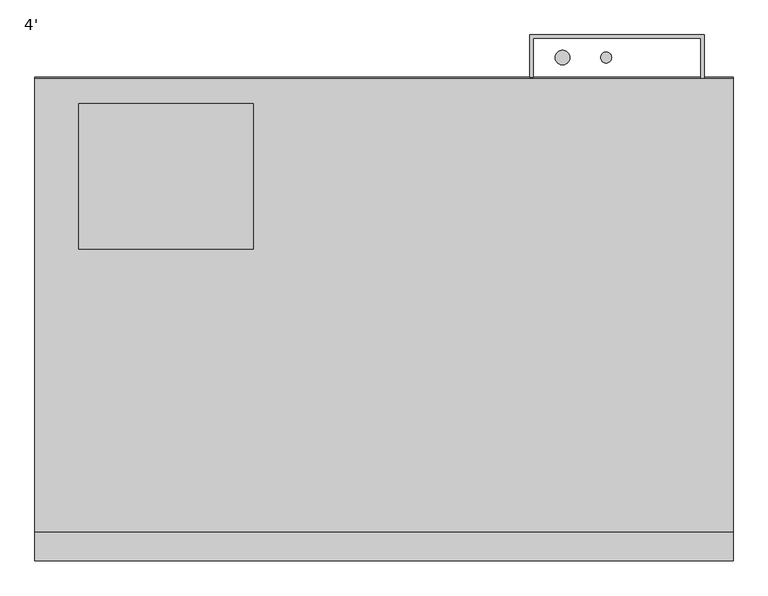
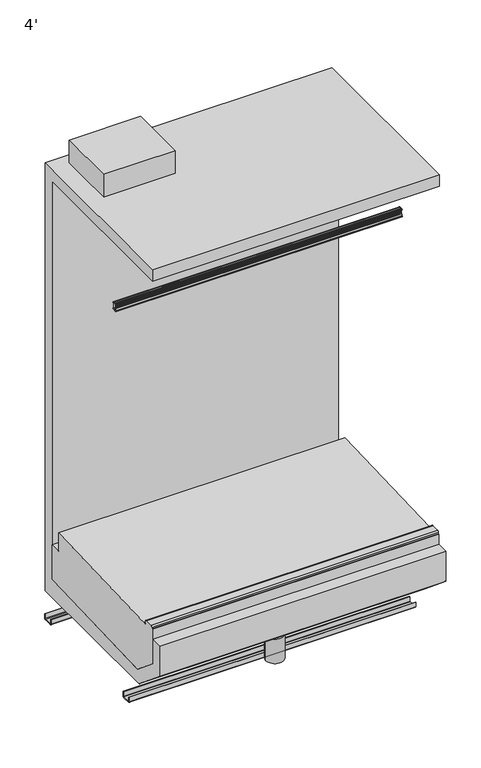
"""IFC4 building model written with IfcOpenShell, lengths in millimetres: proxy geometry, 4'."""

from ifc_helpers import new_model, si_unit, point, frame, frame_2d, origin, origin_with_axes, place, context, project, spatial, polyline, circle_curve, trimmed, segment, composite_curve, outline, extrude, source, transform, mapped, element, save
from ifc_brep_helpers import plane_surface, cylinder_surface, revolved_surface, advanced_brep


def proxy_4_83cbc834(model_context):
    return source(origin(), model_context, "Body", "SolidModel", [
        extrude(outline(polyline([(381.0, -445.9589273), (381.0, -699.9589273), (76.2, -699.9589273), (76.2, -445.9589273), (381.0, -445.9589273)])), frame((0.0, 0.0, 2053.0), z_axis=(0.0, 0.0, 1.0), x_axis=(1.0, 0.0, 0.0)), (0.0, 0.0, 1.0), 101.6),
        extrude(outline(composite_curve([segment(trimmed(circle_curve(frame_2d((124.866634, -515.3253412)), 12.7), [point((112.166634, -515.3253412))], [point((137.566634, -515.3253412))], False, "CARTESIAN"), True, "CONTINUOUS"), segment(trimmed(circle_curve(frame_2d((124.866634, -515.3253412)), 12.7), [point((137.566634, -515.3253412))], [point((112.166634, -515.3253412))], False, "CARTESIAN"), True, "CONTINUOUS")], self_intersect=False)), frame((0.0, 0.0, 68.5310382), z_axis=(0.0, 0.0, 1.0), x_axis=(1.0, 0.0, 0.0)), (0.0, 0.0, 1.0), 6.35),
        extrude(outline(composite_curve([segment(trimmed(circle_curve(frame_2d((162.966634, -515.3253412)), 12.7), [point((150.266634, -515.3253412))], [point((175.666634, -515.3253412))], False, "CARTESIAN"), True, "CONTINUOUS"), segment(trimmed(circle_curve(frame_2d((162.966634, -515.3253412)), 12.7), [point((175.666634, -515.3253412))], [point((150.266634, -515.3253412))], False, "CARTESIAN"), True, "CONTINUOUS")], self_intersect=False)), frame((0.0, 0.0, 68.5310382), z_axis=(0.0, 0.0, 1.0), x_axis=(1.0, 0.0, 0.0)), (0.0, 0.0, 1.0), 6.35),
        advanced_brep(
        [(1219.2, -500.2639658, 449.111638), (1219.2, -1126.5028947, 427.2428927), (1219.2, -1135.3036375, 427.2438499), (1219.2, -1141.6520836, 433.4891442), (1219.2, -1141.6520836, 441.532731), (1219.2, -1148.0014586, 447.882731), (1219.2, -1181.6652736, 447.8860441), (1219.2, -1188.0158985, 441.5367347), (1219.2, -1188.0165653, 435.4058904), (1219.2, -1192.8459273, 435.4064157), (1219.2, -1192.8459273, 281.2500468), (1219.2, -1082.8646206, 188.9647729), (1219.2, -451.7851762, 211.0025527), (1219.2, -451.7851762, 367.1756257), (1219.2, -500.2639658, 367.1756257), (0.0, -500.2639658, 449.111638), (0.0, -500.2639658, 367.1756257), (0.0, -451.7851762, 367.1756257), (0.0, -451.7851762, 211.0025527), (0.0, -1082.8646206, 188.9647729), (0.0, -1192.8459273, 281.2500468), (0.0, -1192.8459273, 435.4064157), (0.0, -1188.0165653, 435.4058904), (0.0, -1188.0158985, 441.5367347), (0.0, -1181.6652736, 447.8860441), (0.0, -1148.0014586, 447.882731), (0.0, -1141.6520836, 441.532731), (0.0, -1141.6520836, 433.4891442), (0.0, -1135.3036375, 427.2438499), (0.0, -1126.5028947, 427.2428927), (1117.6, -451.7851762, 260.35), (1117.6, -451.7851762, 361.95), (1117.6, -471.3589273, 260.35), (1117.6, -471.3589273, 361.95)],
        [
            (0, 1),
            (1, 2),
            (2, 3, circle_curve(frame((1219.2, -1135.3029469, 433.5938498), z_axis=(-1.0, 0.0, 0.0), x_axis=(0.0, 1.0, 0.0)), 6.35)),
            (3, 4),
            (4, 5, circle_curve(frame((1219.2, -1148.0020836, 441.532731), z_axis=(1.0, 0.0, 0.0), x_axis=(0.0, 1.0, 0.0)), 6.35)),
            (5, 6),
            (6, 7, circle_curve(frame((1219.2, -1181.6658985, 441.5360441), z_axis=(1.0, 0.0, 0.0), x_axis=(0.0, 1.0, 0.0)), 6.35)),
            (7, 8),
            (8, 9),
            (9, 10),
            (10, 11),
            (11, 12),
            (12, 13),
            (13, 14),
            (14, 0),
            (15, 16),
            (16, 17),
            (17, 18),
            (18, 19),
            (19, 20),
            (20, 21),
            (21, 22),
            (22, 23),
            (23, 24, circle_curve(frame((0.0, -1181.6658985, 441.5360441), z_axis=(-1.0, 0.0, 0.0), x_axis=(0.0, 1.0, 0.0)), 6.35)),
            (24, 25),
            (25, 26, circle_curve(frame((0.0, -1148.0020836, 441.532731), z_axis=(-1.0, 0.0, 0.0), x_axis=(0.0, 1.0, 0.0)), 6.35)),
            (26, 27),
            (27, 28, circle_curve(frame((0.0, -1135.3029469, 433.5938498), z_axis=(1.0, 0.0, 0.0), x_axis=(0.0, 1.0, 0.0)), 6.35)),
            (28, 29),
            (29, 15),
            (12, 18),
            (17, 13),
            (30, 31, circle_curve(frame((1117.6, -451.7851762, 311.15), z_axis=(0.0, -1.0, 0.0), x_axis=(0.0, 0.0, 1.0)), 50.8)),
            (31, 30, circle_curve(frame((1117.6, -451.7851762, 311.15), z_axis=(0.0, -1.0, 0.0), x_axis=(0.0, 0.0, 1.0)), 50.8)),
            (16, 14),
            (15, 0),
            (9, 21),
            (20, 10),
            (19, 11),
            (29, 1),
            (28, 2),
            (27, 3),
            (4, 26),
            (25, 5),
            (24, 6),
            (23, 7),
            (22, 8),
            (32, 33, circle_curve(frame((1117.6, -471.3589273, 311.15), z_axis=(0.0, 1.0, 0.0), x_axis=(0.0, 0.0, 1.0)), 50.8)),
            (33, 32, circle_curve(frame((1117.6, -471.3589273, 311.15), z_axis=(0.0, 1.0, 0.0), x_axis=(0.0, 0.0, 1.0)), 50.8)),
            (33, 31),
            (30, 32),
        ],
        [
            plane_surface(frame((1219.2, -1126.5028947, 427.2428927), z_axis=(1.0000000000000002, 0.0, 0.0), x_axis=(0.0, -0.9993908270190762, -0.034899496703061944))),
            plane_surface(frame((0.0, -1126.5028947, 427.2428927), z_axis=(-1.0000000000000002, 0.0, 0.0), x_axis=(0.0, 0.9993908270190762, 0.034899496703061944))),
            plane_surface(frame((1219.2, -451.7851762, 211.0025527), z_axis=(0.0, 1.0, 0.0), x_axis=(-1.0, 0.0, 0.0))),
            plane_surface(frame((1219.2, -451.7851762, 367.1756257), z_axis=(0.0, 0.0, 1.0), x_axis=(-1.0, 0.0, 0.0))),
            plane_surface(frame((1219.2, -500.2639658, 367.1756257), z_axis=(0.0, 1.0, 0.0), x_axis=(-1.0, 0.0, 0.0))),
            plane_surface(frame((1219.2, -1192.8459273, 435.4064157), z_axis=(0.0, -1.0, 0.0), x_axis=(-1.0, 0.0, 0.0))),
            plane_surface(frame((1219.2, -1192.8459273, 281.2500468), z_axis=(0.0, -0.6427876096870722, -0.7660444431185309), x_axis=(-1.0, 0.0, 0.0))),
            plane_surface(frame((1219.2, -1082.8646206, 188.9647729), z_axis=(0.0, 0.03489949670246416, -0.999390827019097), x_axis=(-1.0, 0.0, 0.0))),
            plane_surface(frame((1219.2, -500.2639658, 449.111638), z_axis=(0.0, -0.034899496703061944, 0.9993908270190762), x_axis=(-1.0, 0.0, 0.0))),
            plane_surface(frame((1219.2, -1126.5028947, 427.2428927), z_axis=(0.0, 0.00010875852496434941, 0.9999999940857917), x_axis=(-1.0, 0.0, 0.0))),
            revolved_surface(polyline([(0.0, -1128.9529469000001, 433.5938498), (1219.2, -1128.9529469000001, 433.5938498)]), (0.0, -1135.3029469, 433.5938498), (-1.0, 0.0, 0.0)),
            cylinder_surface(frame((0.0, -1148.0020836, 441.532731), z_axis=(1.0, 0.0, 0.0), x_axis=(0.0, 1.0, 0.0)), 6.35),
            plane_surface(frame((1219.2, -1148.0014586, 447.882731), z_axis=(0.0, 9.841684243872936e-05, 0.9999999951570626), x_axis=(-1.0, 0.0, 0.0))),
            cylinder_surface(frame((0.0, -1181.6658985, 441.5360441), z_axis=(1.0, 0.0, 0.0), x_axis=(0.0, 1.0, 0.0)), 6.35),
            plane_surface(frame((1219.2, -1188.0158985, 441.5367347), z_axis=(0.0, -0.9999999940857938, 0.00010875850531839876), x_axis=(-1.0, 0.0, 0.0))),
            plane_surface(frame((1219.2, -1188.0165653, 435.4058904), z_axis=(0.0, 0.00010875840003332278, 0.9999999940858052), x_axis=(-1.0, 0.0, 0.0))),
            plane_surface(frame((1219.2, -1141.6520836, 433.4891442), z_axis=(0.0, 1.0, 0.0), x_axis=(-1.0, 0.0, 0.0))),
            plane_surface(frame((1117.6, -471.3589273, 361.95), z_axis=(0.0, 1.0, 0.0), x_axis=(-1.0, 0.0, 0.0))),
            revolved_surface(polyline([(1117.6, -471.3589273, 361.95), (1117.6, -451.7851762, 361.95)]), (1117.6, -381.990496, 311.15), (0.0, -1.0, 0.0)),
        ],
        [
            (0, [[1, 2, 3, 4, 5, 6, 7, 8, 9, 10, 11, 12, 13, 14, 15]]),
            (1, [[16, 17, 18, 19, 20, 21, 22, 23, 24, 25, 26, 27, 28, 29, 30]]),
            (2, [[-13, 31, -18, 32], [33, 34]]),
            (3, [[-14, -32, -17, 35]]),
            (4, [[-15, -35, -16, 36]]),
            (5, [[-10, 37, -21, 38]]),
            (6, [[-11, -38, -20, 39]]),
            (7, [[-12, -39, -19, -31]]),
            (8, [[-1, -36, -30, 40]]),
            (9, [[-2, -40, -29, 41]]),
            (10, [[-3, -41, -28, 42]]),
            (11, [[-5, 43, -26, 44]]),
            (12, [[-6, -44, -25, 45]]),
            (13, [[-7, -45, -24, 46]]),
            (14, [[-8, -46, -23, 47]]),
            (15, [[-9, -47, -22, -37]]),
            (16, [[-4, -42, -27, -43]]),
            (17, [[48, 49]]),
            (18, [[-49, 50, -33, 51]]),
            (18, [[-48, -51, -34, -50]]),
        ],
    ),
        advanced_brep(
        [(1219.2, -1093.449669, 130.175), (1219.2, -401.5089273, 130.175), (1219.2, -401.5089273, 2053.0), (1219.2, -1193.4788424, 2053.0), (1219.2, -1193.4788424, 2000.9165757), (1219.2, -451.7851762, 2000.9165757), (1219.2, -451.7851762, 211.0025527), (1219.2, -1082.8646206, 188.9647729), (1219.2, -1192.8459273, 281.2500468), (1219.2, -1192.8459273, 391.0306785), (1219.2, -1243.8542655, 391.0306785), (1219.2, -1243.8542655, 256.3794415), (0.0, -1093.449669, 130.175), (0.0, -1243.8542655, 256.3794415), (0.0, -1243.8542655, 391.0306785), (0.0, -1192.8459273, 391.0306785), (0.0, -1192.8459273, 281.2500468), (0.0, -1082.8646206, 188.9647729), (0.0, -451.7851762, 211.0025527), (0.0, -451.7851762, 2000.9165757), (0.0, -1193.4788424, 2000.9165757), (0.0, -1193.4788424, 2053.0), (0.0, -401.5089273, 2053.0), (0.0, -401.5089273, 130.175), (1117.6, -401.5089273, 260.35), (1117.6, -401.5089273, 361.95), (1117.6, -451.7851762, 361.95), (1117.6, -451.7851762, 260.35)],
        [
            (0, 1),
            (1, 2),
            (2, 3),
            (3, 4),
            (4, 5),
            (5, 6),
            (6, 7),
            (7, 8),
            (8, 9),
            (9, 10),
            (10, 11),
            (11, 0),
            (12, 13),
            (13, 14),
            (14, 15),
            (15, 16),
            (16, 17),
            (17, 18),
            (18, 19),
            (19, 20),
            (20, 21),
            (21, 22),
            (22, 23),
            (23, 12),
            (0, 12),
            (23, 1),
            (22, 2),
            (24, 25, circle_curve(frame((1117.6, -401.5089273, 311.15), z_axis=(0.0, -1.0, 0.0), x_axis=(0.0, 0.0, 1.0)), 50.8)),
            (25, 24, circle_curve(frame((1117.6, -401.5089273, 311.15), z_axis=(0.0, -1.0, 0.0), x_axis=(0.0, 0.0, 1.0)), 50.8)),
            (21, 3),
            (20, 4),
            (19, 5),
            (18, 6),
            (26, 27, circle_curve(frame((1117.6, -451.7851762, 311.15), z_axis=(0.0, 1.0, 0.0), x_axis=(0.0, 0.0, 1.0)), 50.8)),
            (27, 26, circle_curve(frame((1117.6, -451.7851762, 311.15), z_axis=(0.0, 1.0, 0.0), x_axis=(0.0, 0.0, 1.0)), 50.8)),
            (17, 7),
            (16, 8),
            (15, 9),
            (14, 10),
            (13, 11),
            (24, 27),
            (26, 25),
        ],
        [
            plane_surface(frame((1219.2, -401.5089273, 130.175), z_axis=(1.0, 0.0, 0.0), x_axis=(0.0, 1.0, 0.0))),
            plane_surface(frame((0.0, -401.5089273, 130.175), z_axis=(-1.0, 0.0, 0.0), x_axis=(0.0, -1.0, 0.0))),
            plane_surface(frame((1219.2, -1093.449669, 130.175), z_axis=(0.0, 0.0, -1.0), x_axis=(-1.0, 0.0, 0.0))),
            plane_surface(frame((1219.2, -401.5089273, 130.175), z_axis=(0.0, 1.0, 0.0), x_axis=(-1.0, 0.0, 0.0))),
            plane_surface(frame((1219.2, -401.5089273, 2053.0), z_axis=(0.0, 0.0, 1.0), x_axis=(-1.0, 0.0, 0.0))),
            plane_surface(frame((1219.2, -1193.4788424, 2053.0), z_axis=(0.0, -1.0, 0.0), x_axis=(-1.0, 0.0, 0.0))),
            plane_surface(frame((1219.2, -1193.4788424, 2000.9165757), z_axis=(0.0, 0.0, -1.0), x_axis=(-1.0, 0.0, 0.0))),
            plane_surface(frame((1219.2, -451.7851762, 2000.9165757), z_axis=(0.0, -1.0, 0.0), x_axis=(-1.0, 0.0, 0.0))),
            plane_surface(frame((1219.2, -451.7851762, 211.0025527), z_axis=(0.0, -0.03489949670246416, 0.999390827019097), x_axis=(-1.0, 0.0, 0.0))),
            plane_surface(frame((1219.2, -1082.8646206, 188.9647729), z_axis=(0.0, 0.6427876096870722, 0.7660444431185309), x_axis=(-1.0, 0.0, 0.0))),
            plane_surface(frame((1219.2, -1192.8459273, 281.2500468), z_axis=(0.0, 1.0, 0.0), x_axis=(-1.0, 0.0, 0.0))),
            plane_surface(frame((1219.2, -1192.8459273, 391.0306785), z_axis=(0.0, 0.0, 1.0), x_axis=(-1.0, 0.0, 0.0))),
            plane_surface(frame((1219.2, -1243.8542655, 391.0306785), z_axis=(0.0, -1.0, 0.0), x_axis=(-1.0, 0.0, 0.0))),
            plane_surface(frame((1219.2, -1243.8542655, 256.3794415), z_axis=(0.0, -0.6427876096870824, -0.7660444431185224), x_axis=(-1.0, 0.0, 0.0))),
            revolved_surface(polyline([(1117.6, -451.7851762, 361.95), (1117.6, -401.5089273, 361.95)]), (1117.6, -381.990496, 311.15), (0.0, -1.0, 0.0)),
        ],
        [
            (0, [[1, 2, 3, 4, 5, 6, 7, 8, 9, 10, 11, 12]]),
            (1, [[13, 14, 15, 16, 17, 18, 19, 20, 21, 22, 23, 24]]),
            (2, [[-1, 25, -24, 26]]),
            (3, [[-2, -26, -23, 27], [28, 29]]),
            (4, [[-3, -27, -22, 30]]),
            (5, [[-4, -30, -21, 31]]),
            (6, [[-5, -31, -20, 32]]),
            (7, [[-6, -32, -19, 33], [34, 35]]),
            (8, [[-7, -33, -18, 36]]),
            (9, [[-8, -36, -17, 37]]),
            (10, [[-9, -37, -16, 38]]),
            (11, [[-10, -38, -15, 39]]),
            (12, [[-11, -39, -14, 40]]),
            (13, [[-12, -40, -13, -25]]),
            (14, [[41, -34, 42, -28]]),
            (14, [[-41, -29, -42, -35]]),
        ],
    ),
        extrude(outline(composite_curve([segment(polyline([(-401.5089273, 24.892), (-398.7403273, 24.892), (-398.7403273, 5.1562)]), True, "CONTINUOUS"), segment(trimmed(circle_curve(frame_2d((-403.8965273, 5.1562)), 5.1562), [point((-398.7403273, 5.1562))], [point((-399.435967, 2.5697351))], False, "CARTESIAN"), True, "CONTINUOUS"), segment(trimmed(circle_curve(frame_2d((-403.8965273, 5.1562)), 5.1562), [point((-399.435967, 2.5697351))], [point((-403.8965273, 0.0))], False, "CARTESIAN"), True, "CONTINUOUS"), segment(polyline([(-403.8965273, 0.0), (-438.8088273, 0.0)]), True, "CONTINUOUS"), segment(trimmed(circle_curve(frame_2d((-438.8088273, 5.1562)), 5.1562), [point((-438.8088273, 0.0))], [point((-443.9650273, 5.1562))], False, "CARTESIAN"), True, "CONTINUOUS"), segment(polyline([(-443.9650273, 5.1562), (-443.9650273, 24.9047), (-441.1964273, 24.9047), (-441.1964273, 5.1562)]), True, "CONTINUOUS"), segment(trimmed(circle_curve(frame_2d((-438.8088273, 5.1562)), 2.3876), [point((-441.1964273, 5.1562))], [point((-438.8088273, 2.7686))], True, "CARTESIAN"), True, "CONTINUOUS"), segment(polyline([(-438.8088273, 2.7686), (-403.8965273, 2.7686)]), True, "CONTINUOUS"), segment(trimmed(circle_curve(frame_2d((-403.8965273, 5.1562)), 2.3876), [point((-403.8965273, 2.7686))], [point((-401.5089273, 5.1562))], True, "CARTESIAN"), True, "CONTINUOUS"), segment(polyline([(-401.5089273, 5.1562), (-401.5089273, 24.892)]), True, "CONTINUOUS")], self_intersect=False)), frame((0.0, 0.0, 0.0), z_axis=(1.0, 0.0, 0.0), x_axis=(0.0, 1.0, 0.0)), (0.0, 0.0, 1.0), 1219.2),
        extrude(outline(composite_curve([segment(trimmed(circle_curve(frame_2d((609.6, -1036.5089273)), 38.1), [point((571.5, -1036.5089273))], [point((647.7, -1036.5089273))], False, "CARTESIAN"), True, "CONTINUOUS"), segment(trimmed(circle_curve(frame_2d((609.6, -1036.5089273)), 38.1), [point((647.7, -1036.5089273))], [point((571.5, -1036.5089273))], False, "CARTESIAN"), True, "CONTINUOUS")], self_intersect=False)), origin_with_axes(), (0.0, 0.0, 1.0), 109.7534),
        extrude(outline(composite_curve([segment(trimmed(circle_curve(frame_2d((311.15, 1140.4101353)), 12.7), [point((298.45, 1140.4101353))], [point((323.85, 1140.4101353))], False, "CARTESIAN"), True, "CONTINUOUS"), segment(trimmed(circle_curve(frame_2d((311.15, 1140.4101353)), 12.7), [point((323.85, 1140.4101353))], [point((298.45, 1140.4101353))], False, "CARTESIAN"), True, "CONTINUOUS")], self_intersect=False)), frame((0.0, -471.3589273, 0.0), z_axis=(0.0, 1.0, 0.0), x_axis=(0.0, 0.0, 1.0)), (0.0, 0.0, 1.0), 69.85),
        extrude(outline(composite_curve([segment(trimmed(circle_curve(frame_2d((311.15, 1094.7898647)), 9.525), [point((301.625, 1094.7898647))], [point((320.675, 1094.7898647))], False, "CARTESIAN"), True, "CONTINUOUS"), segment(trimmed(circle_curve(frame_2d((311.15, 1094.7898647)), 9.525), [point((320.675, 1094.7898647))], [point((301.625, 1094.7898647))], False, "CARTESIAN"), True, "CONTINUOUS")], self_intersect=False)), frame((0.0, -471.3589273, 0.0), z_axis=(0.0, 1.0, 0.0), x_axis=(0.0, 0.0, 1.0)), (0.0, 0.0, 1.0), 69.85),
        extrude(outline(polyline([(1162.618325, -330.9058645), (870.518325, -330.9058645), (870.518325, -398.7403273), (864.168325, -398.7403273), (864.168325, -325.3089273), (1168.968325, -325.3089273), (1168.968325, -401.5089273), (1162.618325, -401.5089273), (1162.618325, -330.9058645)])), frame((0.0, 0.0, 206.3320589), z_axis=(0.0, 0.0, 1.0), x_axis=(1.0, 0.0, 0.0)), (0.0, 0.0, 1.0), 1452.7159789),
        extrude(outline(composite_curve([segment(trimmed(circle_curve(frame_2d((921.318325, -364.899036)), 12.7), [point((908.618325, -364.899036))], [point((934.018325, -364.899036))], False, "CARTESIAN"), True, "CONTINUOUS"), segment(trimmed(circle_curve(frame_2d((921.318325, -364.899036)), 12.7), [point((934.018325, -364.899036))], [point((908.618325, -364.899036))], False, "CARTESIAN"), True, "CONTINUOUS")], self_intersect=False)), frame((0.0, 0.0, 1562.7753116), z_axis=(0.0, 0.0, 1.0), x_axis=(1.0, 0.0, 0.0)), (0.0, 0.0, 1.0), 159.9413001),
        extrude(outline(composite_curve([segment(trimmed(circle_curve(frame_2d((997.518325, -364.899036)), 9.525), [point((987.993325, -364.899036))], [point((1007.043325, -364.899036))], False, "CARTESIAN"), True, "CONTINUOUS"), segment(trimmed(circle_curve(frame_2d((997.518325, -364.899036)), 9.525), [point((1007.043325, -364.899036))], [point((987.993325, -364.899036))], False, "CARTESIAN"), True, "CONTINUOUS")], self_intersect=False)), frame((0.0, 0.0, 1562.7753116), z_axis=(0.0, 0.0, 1.0), x_axis=(1.0, 0.0, 0.0)), (0.0, 0.0, 1.0), 159.9413001),
        extrude(outline(composite_curve([segment(polyline([(-977.7506561, 24.892), (-974.9820561, 24.892), (-974.9820561, 5.1562)]), True, "CONTINUOUS"), segment(trimmed(circle_curve(frame_2d((-980.1382561, 5.1562)), 5.1562), [point((-974.9820561, 5.1562))], [point((-975.6776958, 2.5697351))], False, "CARTESIAN"), True, "CONTINUOUS"), segment(trimmed(circle_curve(frame_2d((-980.1382561, 5.1562)), 5.1562), [point((-975.6776958, 2.5697351))], [point((-980.1382561, 0.0))], False, "CARTESIAN"), True, "CONTINUOUS"), segment(polyline([(-980.1382561, 0.0), (-1015.0505561, 0.0)]), True, "CONTINUOUS"), segment(trimmed(circle_curve(frame_2d((-1015.0505561, 5.1562)), 5.1562), [point((-1015.0505561, 0.0))], [point((-1020.2067561, 5.1562))], False, "CARTESIAN"), True, "CONTINUOUS"), segment(polyline([(-1020.2067561, 5.1562), (-1020.2067561, 24.9047), (-1017.4381561, 24.9047), (-1017.4381561, 5.1562)]), True, "CONTINUOUS"), segment(trimmed(circle_curve(frame_2d((-1015.0505561, 5.1562)), 2.3876), [point((-1017.4381561, 5.1562))], [point((-1015.0505561, 2.7686))], True, "CARTESIAN"), True, "CONTINUOUS"), segment(polyline([(-1015.0505561, 2.7686), (-980.1382561, 2.7686)]), True, "CONTINUOUS"), segment(trimmed(circle_curve(frame_2d((-980.1382561, 5.1562)), 2.3876), [point((-980.1382561, 2.7686))], [point((-977.7506561, 5.1562))], True, "CARTESIAN"), True, "CONTINUOUS"), segment(polyline([(-977.7506561, 5.1562), (-977.7506561, 24.892)]), True, "CONTINUOUS")], self_intersect=False)), frame((0.0, 0.0, 0.0), z_axis=(1.0, 0.0, 0.0), x_axis=(0.0, 1.0, 0.0)), (0.0, 0.0, 1.0), 1219.2),
        advanced_brep(
        [(1219.2, -902.6931295, 1727.3075286), (1219.2, -901.7243099, 1727.6885286), (1219.2, -902.8390735, 1730.5231871), (1219.2, -905.9012623, 1732.6167077), (1219.2, -908.3652606, 1732.6247138), (1219.2, -908.3652606, 1704.0828354), (1219.2, -910.4874517, 1701.5774341), (1219.2, -914.7493725, 1700.8731899), (1219.2, -917.4469208, 1704.4916046), (1219.2, -914.3596606, 1717.0478082), (1219.2, -914.3596606, 1732.6247138), (1219.2, -919.5201751, 1732.6247138), (1219.2, -920.545241, 1732.1045613), (1219.2, -921.6281952, 1729.8544831), (1219.2, -920.6442857, 1729.6607751), (1219.2, -920.0507066, 1731.2579447), (1219.2, -919.2029406, 1731.4273519), (1219.2, -917.1624717, 1728.3298316), (1219.2, -916.2734717, 1728.3298316), (1219.2, -916.2734717, 1723.5154593), (1219.2, -915.4867719, 1723.3208329), (1219.2, -916.2860613, 1720.0900228), (1219.2, -916.3394429, 1717.0318787), (1219.2, -916.382618, 1715.9093735), (1219.2, -916.5259319, 1714.2657553), (1219.2, -916.9841164, 1711.5098777), (1219.2, -917.3803385, 1709.9083074), (1219.2, -921.1921567, 1701.6305848), (1219.2, -922.0946495, 1701.7496918), (1219.2, -922.5752577, 1703.1954368), (1219.2, -923.5448561, 1702.9314817), (1219.2, -923.1493051, 1701.7804452), (1219.2, -917.5263496, 1698.0213504), (1219.2, -904.9718522, 1700.0874013), (1219.2, -902.4051937, 1702.2161722), (1219.2, -901.4299592, 1704.8954615), (1219.2, -902.4324233, 1705.2603286), (1219.2, -903.2891388, 1703.4720652), (1219.2, -906.910186, 1704.3817952), (1219.2, -907.0320908, 1728.1919806), (1219.2, -903.357335, 1728.9956276), (0.0, -902.6931295, 1727.3075286), (0.0, -903.357335, 1728.9956276), (0.0, -907.0320908, 1728.1919806), (0.0, -906.910186, 1704.3817952), (0.0, -903.2891388, 1703.4720652), (0.0, -902.4324233, 1705.2603286), (0.0, -901.4299592, 1704.8954615), (0.0, -902.4051937, 1702.2161722), (0.0, -904.9718522, 1700.0874013), (0.0, -917.5263496, 1698.0213504), (0.0, -923.149286, 1701.7804537), (0.0, -923.5448561, 1702.9314817), (0.0, -922.5752577, 1703.1954368), (0.0, -922.0946495, 1701.7496918), (0.0, -921.1921848, 1701.6306037), (0.0, -917.3803385, 1709.9083074), (0.0, -916.9841164, 1711.5098777), (0.0, -916.5259319, 1714.2657553), (0.0, -916.382618, 1715.9093735), (0.0, -916.3394429, 1717.0318787), (0.0, -916.2860613, 1720.0900228), (0.0, -915.4867719, 1723.3208329), (0.0, -916.2734717, 1723.5154593), (0.0, -916.2734717, 1728.3298316), (0.0, -917.1624717, 1728.3298316), (0.0, -919.2029343, 1731.4273578), (0.0, -920.0507066, 1731.2579447), (0.0, -920.6442857, 1729.6607751), (0.0, -921.6281903, 1729.8544818), (0.0, -920.5452539, 1732.1045707), (0.0, -919.5201751, 1732.6247012), (0.0, -914.3596606, 1732.6247138), (0.0, -914.3596606, 1717.0478082), (0.0, -917.4469208, 1704.4916046), (0.0, -914.7493725, 1700.8731899), (0.0, -910.4874517, 1701.5774341), (0.0, -908.3652606, 1704.0828354), (0.0, -908.3652606, 1732.6247138), (0.0, -905.9012623, 1732.6167077), (0.0, -902.8390735, 1730.5231871), (0.0, -901.7243099, 1727.6885286)],
        [
            (0, 1),
            (1, 2),
            (2, 3, circle_curve(frame((1219.2, -905.9119913, 1729.3147251), z_axis=(1.0, 0.0, 0.0), x_axis=(0.0, 1.0, 0.0)), 3.302)),
            (3, 4),
            (4, 5),
            (5, 6, circle_curve(frame((1219.2, -910.9052606, 1704.0828354), z_axis=(-1.0, 0.0, 0.0), x_axis=(0.0, 1.0, 0.0)), 2.54)),
            (6, 7),
            (7, 8, circle_curve(frame((1219.2, -915.163469, 1703.3792046), z_axis=(-1.0, 0.0, 0.0), x_axis=(0.0, 1.0, 0.0)), 2.5399972)),
            (8, 9, circle_curve(frame((1219.2, -945.8394817, 1718.130276), z_axis=(1.0, 0.0, 0.0), x_axis=(0.0, 1.0, 0.0)), 31.4984265)),
            (9, 10),
            (10, 11),
            (11, 12, circle_curve(frame((1219.2, -919.5202548, 1731.3547138), z_axis=(1.0, 0.0, 0.0), x_axis=(0.0, 1.0, 0.0)), 1.2699874)),
            (12, 13, circle_curve(frame((1219.2, -915.0105356, 1728.0551268), z_axis=(1.0, 0.0, 0.0), x_axis=(0.0, 1.0, 0.0)), 6.8579226)),
            (13, 14, circle_curve(frame((1219.2, -921.143137, 1729.722586), z_axis=(1.0, 0.0, 0.0), x_axis=(0.0, 1.0, 0.0)), 0.5026661)),
            (14, 15),
            (15, 16, circle_curve(frame((1219.2, -919.5745346, 1731.080978), z_axis=(-1.0, 0.0, 0.0), x_axis=(0.0, 1.0, 0.0)), 0.5079931)),
            (16, 17, circle_curve(frame((1219.2, -927.3217632, 1723.8583356), z_axis=(-1.0, 0.0, 0.0), x_axis=(0.0, 1.0, 0.0)), 11.0997964)),
            (17, 18),
            (18, 19),
            (19, 20),
            (20, 21),
            (21, 22),
            (22, 23, circle_curve(frame((1219.2, -944.909409, 1717.568686), z_axis=(-1.0, 0.0, 0.0), x_axis=(0.0, 1.0, 0.0)), 28.5750087)),
            (23, 24, circle_curve(frame((1219.2, -916.847274, 1715.1218316), z_axis=(-1.0, 0.0, 0.0), x_axis=(0.0, 1.0, 0.0)), 0.9144)),
            (24, 25, circle_curve(frame((1219.2, -944.909409, 1717.568686), z_axis=(-1.0, 0.0, 0.0), x_axis=(0.0, 1.0, 0.0)), 28.5750087)),
            (25, 26, circle_curve(frame((1219.2, -917.5651726, 1710.8038316), z_axis=(-1.0, 0.0, 0.0), x_axis=(0.0, 1.0, 0.0)), 0.9144)),
            (26, 27, circle_curve(frame((1219.2, -944.909409, 1717.568686), z_axis=(-1.0, 0.0, 0.0), x_axis=(0.0, 1.0, 0.0)), 28.5750087)),
            (27, 28, circle_curve(frame((1219.2, -921.6139006, 1701.9138278), z_axis=(-1.0, 0.0, 0.0), x_axis=(0.0, 1.0, 0.0)), 0.5079962)),
            (28, 29),
            (29, 30, circle_curve(frame((1219.2, -923.0561634, 1703.049157), z_axis=(1.0, 0.0, 0.0), x_axis=(0.0, 1.0, 0.0)), 0.502661)),
            (30, 31, circle_curve(frame((1219.2, -916.8870114, 1704.575951), z_axis=(1.0, 0.0, 0.0), x_axis=(0.0, 1.0, 0.0)), 6.857928)),
            (31, 32, circle_curve(frame((1219.2, -917.3508154, 1704.3689156), z_axis=(1.0, 0.0, 0.0), x_axis=(0.0, 1.0, 0.0)), 6.3499919)),
            (32, 33),
            (33, 34, circle_curve(frame((1219.2, -905.508039, 1703.3455768), z_axis=(1.0, 0.0, 0.0), x_axis=(0.0, 1.0, 0.0)), 3.302)),
            (34, 35),
            (35, 36),
            (36, 37),
            (37, 38, circle_curve(frame((1219.2, -905.0071585, 1704.2951286), z_axis=(-1.0, 0.0, 0.0), x_axis=(0.0, 1.0, 0.0)), 1.905)),
            (38, 39, circle_curve(frame((1219.2, -1141.9102596, 1715.0840326), z_axis=(1.0, 0.0, 0.0), x_axis=(0.0, 1.0, 0.0)), 235.2436449)),
            (39, 40, circle_curve(frame((1219.2, -905.1300505, 1728.2981286), z_axis=(-1.0, 0.0, 0.0), x_axis=(0.0, 1.0, 0.0)), 1.905)),
            (40, 0),
            (41, 42),
            (42, 43, circle_curve(frame((0.0, -905.1300505, 1728.2981286), z_axis=(1.0, 0.0, 0.0), x_axis=(0.0, 1.0, 0.0)), 1.905)),
            (43, 44, circle_curve(frame((0.0, -1141.9102596, 1715.0840326), z_axis=(-1.0, 0.0, 0.0), x_axis=(0.0, 1.0, 0.0)), 235.2436449)),
            (44, 45, circle_curve(frame((0.0, -905.0071585, 1704.2951286), z_axis=(1.0, 0.0, 0.0), x_axis=(0.0, 1.0, 0.0)), 1.905)),
            (45, 46),
            (46, 47),
            (47, 48),
            (48, 49, circle_curve(frame((0.0, -905.508039, 1703.3455768), z_axis=(-1.0, 0.0, 0.0), x_axis=(0.0, 1.0, 0.0)), 3.302)),
            (49, 50),
            (50, 51, circle_curve(frame((0.0, -917.3508154, 1704.3689156), z_axis=(-1.0, 0.0, 0.0), x_axis=(0.0, 1.0, 0.0)), 6.3499919)),
            (51, 52, circle_curve(frame((0.0, -916.8870114, 1704.575951), z_axis=(-1.0, 0.0, 0.0), x_axis=(0.0, 1.0, 0.0)), 6.857928)),
            (52, 53, circle_curve(frame((0.0, -923.0561634, 1703.049157), z_axis=(-1.0, 0.0, 0.0), x_axis=(0.0, 1.0, 0.0)), 0.502661)),
            (53, 54),
            (54, 55, circle_curve(frame((0.0, -921.6139006, 1701.9138278), z_axis=(1.0, 0.0, 0.0), x_axis=(0.0, 1.0, 0.0)), 0.5079962)),
            (55, 56, circle_curve(frame((0.0, -944.909409, 1717.568686), z_axis=(1.0, 0.0, 0.0), x_axis=(0.0, 1.0, 0.0)), 28.5750087)),
            (56, 57, circle_curve(frame((0.0, -917.5651726, 1710.8038316), z_axis=(1.0, 0.0, 0.0), x_axis=(0.0, 1.0, 0.0)), 0.9144)),
            (57, 58, circle_curve(frame((0.0, -944.909409, 1717.568686), z_axis=(1.0, 0.0, 0.0), x_axis=(0.0, 1.0, 0.0)), 28.5750087)),
            (58, 59, circle_curve(frame((0.0, -916.847274, 1715.1218316), z_axis=(1.0, 0.0, 0.0), x_axis=(0.0, 1.0, 0.0)), 0.9144)),
            (59, 60, circle_curve(frame((0.0, -944.909409, 1717.568686), z_axis=(1.0, 0.0, 0.0), x_axis=(0.0, 1.0, 0.0)), 28.5750087)),
            (60, 61),
            (61, 62),
            (62, 63),
            (63, 64),
            (64, 65),
            (65, 66, circle_curve(frame((0.0, -927.3217632, 1723.8583356), z_axis=(1.0, 0.0, 0.0), x_axis=(0.0, 1.0, 0.0)), 11.0997964)),
            (66, 67, circle_curve(frame((0.0, -919.5745346, 1731.080978), z_axis=(1.0, 0.0, 0.0), x_axis=(0.0, 1.0, 0.0)), 0.5079931)),
            (67, 68),
            (68, 69, circle_curve(frame((0.0, -921.143137, 1729.722586), z_axis=(-1.0, 0.0, 0.0), x_axis=(0.0, 1.0, 0.0)), 0.5026661)),
            (69, 70, circle_curve(frame((0.0, -915.0105356, 1728.0551268), z_axis=(-1.0, 0.0, 0.0), x_axis=(0.0, 1.0, 0.0)), 6.8579226)),
            (70, 71, circle_curve(frame((0.0, -919.5202548, 1731.3547138), z_axis=(-1.0, 0.0, 0.0), x_axis=(0.0, 1.0, 0.0)), 1.2699874)),
            (71, 72),
            (72, 73),
            (73, 74, circle_curve(frame((0.0, -945.8394817, 1718.130276), z_axis=(-1.0, 0.0, 0.0), x_axis=(0.0, 1.0, 0.0)), 31.4984265)),
            (74, 75, circle_curve(frame((0.0, -915.163469, 1703.3792046), z_axis=(1.0, 0.0, 0.0), x_axis=(0.0, 1.0, 0.0)), 2.5399972)),
            (75, 76),
            (76, 77, circle_curve(frame((0.0, -910.9052606, 1704.0828354), z_axis=(1.0, 0.0, 0.0), x_axis=(0.0, 1.0, 0.0)), 2.54)),
            (77, 78),
            (78, 79),
            (79, 80, circle_curve(frame((0.0, -905.9119913, 1729.3147251), z_axis=(-1.0, 0.0, 0.0), x_axis=(0.0, 1.0, 0.0)), 3.302)),
            (80, 81),
            (81, 41),
            (0, 41),
            (81, 1),
            (80, 2),
            (79, 3),
            (78, 4),
            (77, 5),
            (76, 6),
            (75, 7),
            (74, 8),
            (73, 9),
            (72, 10),
            (71, 11),
            (70, 12),
            (69, 13),
            (68, 14),
            (67, 15),
            (66, 16),
            (65, 17),
            (64, 18),
            (63, 19),
            (62, 20),
            (61, 21),
            (60, 22),
            (59, 23),
            (58, 24),
            (57, 25),
            (56, 26),
            (55, 27),
            (54, 28),
            (53, 29),
            (52, 30),
            (51, 31),
            (50, 32),
            (49, 33),
            (48, 34),
            (47, 35),
            (46, 36),
            (45, 37),
            (44, 38),
            (43, 39),
            (42, 40),
        ],
        [
            plane_surface(frame((1219.2, -901.7243099, 1727.6885286), z_axis=(1.0, 0.0, 0.0), x_axis=(0.0, 0.9306231900674675, 0.36597879461609556))),
            plane_surface(frame((0.0, -901.7243099, 1727.6885286), z_axis=(-1.0, 0.0, 0.0), x_axis=(0.0, -0.9306231900674675, -0.36597879461609556))),
            plane_surface(frame((1219.2, -902.6931295, 1727.3075286), z_axis=(0.0, 0.36597879461609556, -0.9306231900674675), x_axis=(-1.0, 0.0, 0.0))),
            plane_surface(frame((1219.2, -901.7243099, 1727.6885286), z_axis=(0.0, 0.9306231900759734, 0.3659787945944668), x_axis=(-1.0, 0.0, 0.0))),
            cylinder_surface(frame((0.0, -905.9119913, 1729.3147251), z_axis=(1.0, 0.0, 0.0), x_axis=(0.0, 1.0, 0.0)), 3.302),
            plane_surface(frame((1219.2, -905.9012623, 1732.6167077), z_axis=(0.0, 0.0032492421037266625, 0.9999947211989428), x_axis=(-1.0, 0.0, 0.0))),
            plane_surface(frame((1219.2, -908.3652606, 1732.6247138), z_axis=(0.0, -1.0, 0.0), x_axis=(-1.0, 0.0, 0.0))),
            revolved_surface(polyline([(0.0, -908.3652606, 1704.0828354), (1219.2, -908.3652606, 1704.0828354)]), (0.0, -910.9052606, 1704.0828354), (-1.0, 0.0, 0.0)),
            plane_surface(frame((1219.2, -910.4874517, 1701.5774341), z_axis=(0.0, -0.16303029417402248, 0.9866210636214553), x_axis=(-1.0, 0.0, 0.0))),
            revolved_surface(polyline([(0.0, -912.6234718, 1703.3792046), (1219.2, -912.6234718, 1703.3792046)]), (0.0, -915.163469, 1703.3792046), (-1.0, 0.0, 0.0)),
            cylinder_surface(frame((0.0, -945.8394817, 1718.130276), z_axis=(1.0, 0.0, 0.0), x_axis=(0.0, 1.0, 0.0)), 31.4984265),
            plane_surface(frame((1219.2, -914.3596606, 1717.0478082), z_axis=(0.0, 1.0, 0.0), x_axis=(-1.0, 0.0, 0.0))),
            plane_surface(frame((1219.2, -914.3596606, 1732.6247138), z_axis=(0.0, -1.119160319973389e-12, 1.0), x_axis=(-1.0, 0.0, 0.0))),
            cylinder_surface(frame((0.0, -919.5202548, 1731.3547138), z_axis=(1.0, 0.0, 0.0), x_axis=(0.0, 1.0, 0.0)), 1.2699874),
            cylinder_surface(frame((0.0, -915.0105356, 1728.0551268), z_axis=(1.0, 0.0, 0.0), x_axis=(0.0, 1.0, 0.0)), 6.8579226),
            cylinder_surface(frame((0.0, -921.143137, 1729.722586), z_axis=(1.0, 0.0, 0.0), x_axis=(0.0, 1.0, 0.0)), 0.5026661),
            plane_surface(frame((1219.2, -920.6442857, 1729.6607751), z_axis=(0.0, 0.9373592211117492, -0.34836430729449747), x_axis=(-1.0, 0.0, 0.0))),
            revolved_surface(polyline([(0.0, -919.0665415, 1731.080978), (1219.2, -919.0665415, 1731.080978)]), (0.0, -919.5745346, 1731.080978), (-1.0, 0.0, 0.0)),
            revolved_surface(polyline([(0.0, -916.2219668, 1723.8583356), (1219.2, -916.2219668, 1723.8583356)]), (0.0, -927.3217632, 1723.8583356), (-1.0, 0.0, 0.0)),
            plane_surface(frame((1219.2, -917.1624717, 1728.3298316), z_axis=(0.0, 3.0451831539108525e-12, -1.0), x_axis=(-1.0, 0.0, 0.0))),
            plane_surface(frame((1219.2, -916.2734717, 1728.3298316), z_axis=(0.0, -1.0, 0.0), x_axis=(-1.0, 0.0, 0.0))),
            plane_surface(frame((1219.2, -916.2734717, 1723.5154593), z_axis=(0.0, -0.24015578728025933, -0.9707343600778736), x_axis=(-1.0, 0.0, 0.0))),
            plane_surface(frame((1219.2, -915.4867719, 1723.3208329), z_axis=(0.0, -0.9707343600778305, 0.2401557872804336), x_axis=(-1.0, 0.0, 0.0))),
            plane_surface(frame((1219.2, -916.2860613, 1720.0900228), z_axis=(0.0, -0.9998476868214559, 0.017452883938876798), x_axis=(-1.0, 0.0, 0.0))),
            revolved_surface(polyline([(0.0, -916.3344003, 1717.568686), (1219.2, -916.3344003, 1717.568686)]), (0.0, -944.909409, 1717.568686), (-1.0, 0.0, 0.0)),
            revolved_surface(polyline([(0.0, -915.932874, 1715.1218316), (1219.2, -915.932874, 1715.1218316)]), (0.0, -916.847274, 1715.1218316), (-1.0, 0.0, 0.0)),
            revolved_surface(polyline([(0.0, -916.6507726, 1710.8038316), (1219.2, -916.6507726, 1710.8038316)]), (0.0, -917.5651726, 1710.8038316), (-1.0, 0.0, 0.0)),
            revolved_surface(polyline([(0.0, -921.1059044, 1701.9138278), (1219.2, -921.1059044, 1701.9138278)]), (0.0, -921.6139006, 1701.9138278), (-1.0, 0.0, 0.0)),
            plane_surface(frame((1219.2, -922.0946495, 1701.7496918), z_axis=(0.0, 0.9489403078347962, 0.3154556897036448), x_axis=(-1.0, 0.0, 0.0))),
            cylinder_surface(frame((0.0, -923.0561634, 1703.049157), z_axis=(1.0, 0.0, 0.0), x_axis=(0.0, 1.0, 0.0)), 0.502661),
            cylinder_surface(frame((0.0, -916.8870114, 1704.575951), z_axis=(1.0, 0.0, 0.0), x_axis=(0.0, 1.0, 0.0)), 6.857928),
            cylinder_surface(frame((0.0, -917.3508154, 1704.3689156), z_axis=(1.0, 0.0, 0.0), x_axis=(0.0, 1.0, 0.0)), 6.3499919),
            plane_surface(frame((1219.2, -917.5263496, 1698.0213504), z_axis=(0.0, 0.16238245504540536, -0.9867278947579353), x_axis=(-1.0, 0.0, 0.0))),
            cylinder_surface(frame((0.0, -905.508039, 1703.3455768), z_axis=(1.0, 0.0, 0.0), x_axis=(0.0, 1.0, 0.0)), 3.302),
            plane_surface(frame((1219.2, -902.4051937, 1702.2161722), z_axis=(0.0, 0.9396866512804775, -0.3420365439617273), x_axis=(-1.0, 0.0, 0.0))),
            plane_surface(frame((1219.2, -901.4299592, 1704.8954615), z_axis=(0.0, 0.342020143308865, 0.9396926207920244), x_axis=(-1.0, 0.0, 0.0))),
            plane_surface(frame((1219.2, -902.4324233, 1705.2603286), z_axis=(0.0, -0.9018476084868239, 0.4320542686591541), x_axis=(-1.0, 0.0, 0.0))),
            revolved_surface(polyline([(0.0, -903.1021585, 1704.2951286), (1219.2, -903.1021585, 1704.2951286)]), (0.0, -905.0071585, 1704.2951286), (-1.0, 0.0, 0.0)),
            cylinder_surface(frame((0.0, -1141.9102596, 1715.0840326), z_axis=(1.0, 0.0, 0.0), x_axis=(0.0, 1.0, 0.0)), 235.2436449),
            revolved_surface(polyline([(0.0, -903.2250505000001, 1728.2981286), (1219.2, -903.2250505000001, 1728.2981286)]), (0.0, -905.1300505, 1728.2981286), (-1.0, 0.0, 0.0)),
            plane_surface(frame((1219.2, -903.357335, 1728.9956276), z_axis=(0.0, -0.93055930054145, -0.36614121343520956), x_axis=(-1.0, 0.0, 0.0))),
        ],
        [
            (0, [[1, 2, 3, 4, 5, 6, 7, 8, 9, 10, 11, 12, 13, 14, 15, 16, 17, 18, 19, 20, 21, 22, 23, 24, 25, 26, 27, 28, 29, 30, 31, 32, 33, 34, 35, 36, 37, 38, 39, 40, 41]]),
            (1, [[42, 43, 44, 45, 46, 47, 48, 49, 50, 51, 52, 53, 54, 55, 56, 57, 58, 59, 60, 61, 62, 63, 64, 65, 66, 67, 68, 69, 70, 71, 72, 73, 74, 75, 76, 77, 78, 79, 80, 81, 82]]),
            (2, [[-1, 83, -82, 84]]),
            (3, [[-2, -84, -81, 85]]),
            (4, [[-3, -85, -80, 86]]),
            (5, [[-4, -86, -79, 87]]),
            (6, [[-5, -87, -78, 88]]),
            (7, [[-6, -88, -77, 89]]),
            (8, [[-7, -89, -76, 90]]),
            (9, [[-8, -90, -75, 91]]),
            (10, [[-9, -91, -74, 92]]),
            (11, [[-10, -92, -73, 93]]),
            (12, [[-11, -93, -72, 94]]),
            (13, [[-12, -94, -71, 95]]),
            (14, [[-13, -95, -70, 96]]),
            (15, [[-14, -96, -69, 97]]),
            (16, [[-15, -97, -68, 98]]),
            (17, [[-16, -98, -67, 99]]),
            (18, [[-17, -99, -66, 100]]),
            (19, [[-18, -100, -65, 101]]),
            (20, [[-19, -101, -64, 102]]),
            (21, [[-20, -102, -63, 103]]),
            (22, [[-21, -103, -62, 104]]),
            (23, [[-22, -104, -61, 105]]),
            (24, [[-23, -105, -60, 106]]),
            (25, [[-24, -106, -59, 107]]),
            (24, [[-25, -107, -58, 108]]),
            (26, [[-26, -108, -57, 109]]),
            (24, [[-27, -109, -56, 110]]),
            (27, [[-28, -110, -55, 111]]),
            (28, [[-29, -111, -54, 112]]),
            (29, [[-30, -112, -53, 113]]),
            (30, [[-31, -113, -52, 114]]),
            (31, [[-32, -114, -51, 115]]),
            (32, [[-33, -115, -50, 116]]),
            (33, [[-34, -116, -49, 117]]),
            (34, [[-35, -117, -48, 118]]),
            (35, [[-36, -118, -47, 119]]),
            (36, [[-37, -119, -46, 120]]),
            (37, [[-38, -120, -45, 121]]),
            (38, [[-39, -121, -44, 122]]),
            (39, [[-40, -122, -43, 123]]),
            (40, [[-41, -123, -42, -83]]),
        ],
    ),
    ])


if __name__ == "__main__":
    model = new_model("IFC4")
    model_context = context("Model", 3, world=origin())
    ifc_project = project(units=[si_unit("LENGTHUNIT", "METRE", prefix="MILLI")], contexts=[model_context])
    site = spatial("IfcSite", under=ifc_project)
    building = spatial("IfcBuilding", under=site)
    placement = place(None, origin())
    proxy_4_shape = proxy_4_83cbc834(model_context)
    element("IfcBuildingElementProxy", 1, Name="4'", ObjectType="4'", at=placement, inside=building, context=model_context, shape_type="MappedRepresentation", body=[
        mapped(proxy_4_shape, transform((0.0, 0.0, 0.0), x_axis=(1.0, 0.0, 0.0), y_axis=(0.0, 1.0, 0.0), z_axis=(0.0, 0.0, 1.0))),
    ])
    save(model, "model.ifc")
